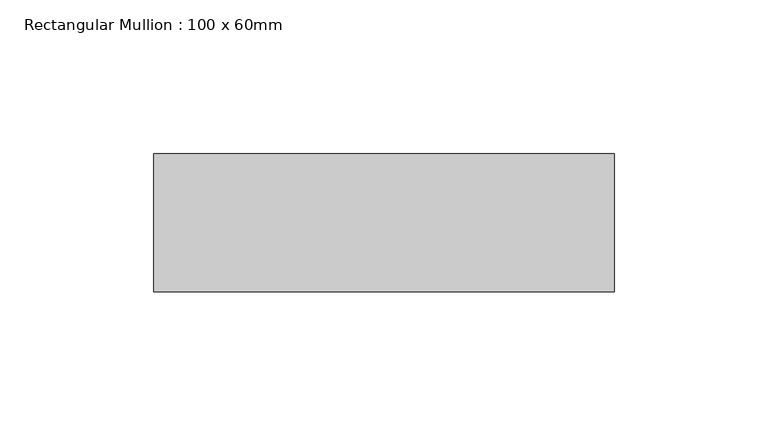
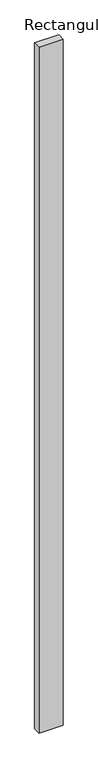
"""IFC4 building model written with IfcOpenShell, lengths in millimetres: member geometry, Rectangular Mullion : 100 x 60mm."""

import ifcopenshell
import ifcopenshell.guid

model = None  # the IFC model being written
_history = None  # IfcOwnerHistory: only IFC2X3 demands one
_inside = {}  # id of a spatial element -> (the spatial element, [elements in it])
_under = {}  # id of a project, library or spatial element -> (it, [spatial elements below it])
_declared = {}  # id of a project -> (the project, [libraries it declares])
_typed = {}  # id of a type object -> (the type object, [elements of that type])
_made_of = {}  # id of a material, layer set ... -> (it, [elements and type objects made of it])


def new_model(schema):
    """Start an empty IFC model of exactly this schema.

    Asked for "IFC4X3", IfcOpenShell would pick the latest addendum, in which some entities
    have other attributes; the version numbers below select the first issue.
    IFC2X3 requires an IfcOwnerHistory on every rooted entity: one is made here for all.
    """
    global model, _history
    if schema == "IFC4X3":
        model = ifcopenshell.file(schema_version=(4, 3, 0, 0))
    else:
        model = ifcopenshell.file(schema=schema)
    _inside.clear()
    _under.clear()
    _declared.clear()
    _typed.clear()
    _made_of.clear()
    _history = None
    if model.schema == "IFC2X3":
        org = make("IfcOrganization", Name="unknown")
        user = make(
            "IfcPersonAndOrganization",
            ThePerson=make("IfcPerson", FamilyName="unknown"),
            TheOrganization=org,
        )
        app = make(
            "IfcApplication",
            ApplicationDeveloper=org,
            Version="unknown",
            ApplicationFullName="unknown",
            ApplicationIdentifier="unknown",
        )
        _history = make(
            "IfcOwnerHistory",
            OwningUser=user,
            OwningApplication=app,
            ChangeAction="ADDED",
            CreationDate=0,
        )
    return model


def make(cls, **values):
    """One entity of the class cls with the attributes given. An attribute that is None is left unset."""
    return model.create_entity(
        cls, **{name: value for name, value in values.items() if value is not None}
    )


def rooted(cls, **values):
    """An entity with a GlobalId (a new one), such as an element, a storey or a relation."""
    return make(cls, GlobalId=ifcopenshell.guid.new(), OwnerHistory=_history, **values)


def si_unit(unit_type, name, prefix=None):
    """IfcSIUnit, for example si_unit("LENGTHUNIT", "METRE", prefix="MILLI")."""
    return make("IfcSIUnit", UnitType=unit_type, Prefix=prefix, Name=name)


def assignment(units):
    """IfcUnitAssignment: the units of a project."""
    return None if units is None else make("IfcUnitAssignment", Units=units)


def point(xyz):
    """IfcCartesianPoint."""
    return None if xyz is None else make("IfcCartesianPoint", Coordinates=xyz)


def direction(xyz):
    """IfcDirection."""
    return None if xyz is None else make("IfcDirection", DirectionRatios=xyz)


def frame(location, z_axis=None, x_axis=None):
    """IfcAxis2Placement3D, a coordinate frame: its origin and axes. An axis left out is left unset."""
    return make(
        "IfcAxis2Placement3D",
        Location=point(location),
        Axis=direction(z_axis),
        RefDirection=direction(x_axis),
    )


def origin():
    """The frame at (0, 0, 0) with its axes left unset."""
    return frame((0.0, 0.0, 0.0))


def place(relative_to, where):
    """IfcLocalPlacement: puts the frame where relative to a parent placement (None: the world)."""
    return make(
        "IfcLocalPlacement", PlacementRelTo=relative_to, RelativePlacement=where
    )


def context(
    kind, dimensions, precision=None, world=None, true_north=None, identifier=None
):
    """IfcGeometricRepresentationContext, for example the 3D "Model" context."""
    return make(
        "IfcGeometricRepresentationContext",
        ContextIdentifier=identifier,
        ContextType=kind,
        CoordinateSpaceDimension=dimensions,
        Precision=precision,
        WorldCoordinateSystem=world,
        TrueNorth=true_north,
    )


def project(units=None, contexts=None):
    """IfcProject with its units and contexts."""
    return rooted(
        "IfcProject",
        Name="project",
        RepresentationContexts=contexts,
        UnitsInContext=assignment(units),
    )


def spatial(cls, under=None, at=None, **own):
    """A site, building, storey or space (cls), placed at a placement, below another one or the project."""
    s = rooted(cls, ObjectPlacement=at, **own)
    if under is not None:
        _under.setdefault(under.id(), (under, []))[1].append(s)
    return s


def polyline(points):
    """IfcPolyline through the points."""
    return make("IfcPolyline", Points=[point(p) for p in points])


def outline(outer, holes=None, kind="AREA"):
    """IfcArbitraryClosedProfileDef: a profile drawn as a closed curve; with holes, ...WithVoids."""
    if holes is None:
        return make("IfcArbitraryClosedProfileDef", ProfileType=kind, OuterCurve=outer)
    return make(
        "IfcArbitraryProfileDefWithVoids",
        ProfileType=kind,
        OuterCurve=outer,
        InnerCurves=holes,
    )


def extrude(swept, where, along, depth):
    """IfcExtrudedAreaSolid: the profile swept, set in the frame where, extruded along a direction by depth."""
    return make(
        "IfcExtrudedAreaSolid",
        SweptArea=swept,
        Position=where,
        ExtrudedDirection=direction(along),
        Depth=depth,
    )


def shape(context_of_items, identifier, shape_type, items):
    """IfcShapeRepresentation: the items that make up one representation, for example the "Body"."""
    return make(
        "IfcShapeRepresentation",
        ContextOfItems=context_of_items,
        RepresentationIdentifier=identifier,
        RepresentationType=shape_type,
        Items=items,
    )


def source(mapping_origin, context_of_items, identifier, shape_type, items):
    """IfcRepresentationMap: a shape defined once, which mapped items show again and again."""
    return make(
        "IfcRepresentationMap",
        MappingOrigin=mapping_origin,
        MappedRepresentation=shape(context_of_items, identifier, shape_type, items),
    )


def transform(
    local_origin,
    x_axis=None,
    y_axis=None,
    z_axis=None,
    scale=None,
    scale2=None,
    scale3=None,
    uniform=True,
):
    """IfcCartesianTransformationOperator3D, or its non-uniform kind. x_axis, y_axis, z_axis: its Axis1, 2, 3."""
    if uniform:
        return make(
            "IfcCartesianTransformationOperator3D",
            Axis1=direction(x_axis),
            Axis2=direction(y_axis),
            LocalOrigin=point(local_origin),
            Scale=scale,
            Axis3=direction(z_axis),
        )
    return make(
        "IfcCartesianTransformationOperator3DnonUniform",
        Axis1=direction(x_axis),
        Axis2=direction(y_axis),
        LocalOrigin=point(local_origin),
        Scale=scale,
        Axis3=direction(z_axis),
        Scale2=scale2,
        Scale3=scale3,
    )


def mapped(mapping_source, mapping_target):
    """IfcMappedItem: shows the shape of a source again, moved by a transform."""
    return make(
        "IfcMappedItem", MappingSource=mapping_source, MappingTarget=mapping_target
    )


def made_of(thing, what):
    """Note that an element or type object is made of a material, layer set ...; save() writes the relation."""
    if what is not None:
        _made_of.setdefault(what.id(), (what, []))[1].append(thing)
    return thing


def element(
    cls,
    number,
    at=None,
    inside=None,
    cuts=None,
    type_object=None,
    material=None,
    context=None,
    identifier="Body",
    shape_type=None,
    held_by="IfcProductDefinitionShape",
    body=None,
    shapes=None,
    **own,
):
    """One element of the class cls, such as IfcWall. Its Tag is "e" and its number.

    at: its placement. inside: the storey or other place that contains it. cuts: it is an
    opening in that element (IfcRelVoidsElement). A single representation is given by context,
    identifier, shape_type and body (its items); several are given by shapes. held_by: the class
    of the entity that holds the representations. save() writes the other relations.
    """
    e = rooted(cls, Tag="e%d" % number, ObjectPlacement=at, **own)
    if body is not None:
        shapes = [shape(context, identifier, shape_type, body)]
    if shapes is not None:
        e.Representation = make(held_by, Representations=shapes)
    if inside is not None:
        _inside.setdefault(inside.id(), (inside, []))[1].append(e)
    if cuts is not None:
        rooted(
            "IfcRelVoidsElement", RelatingBuildingElement=cuts, RelatedOpeningElement=e
        )
    if type_object is not None:
        _typed.setdefault(type_object.id(), (type_object, []))[1].append(e)
    return made_of(e, material)


def aggregate(whole, parts):
    """IfcRelAggregates: a whole, such as a stair, and the parts it consists of."""
    return rooted("IfcRelAggregates", RelatingObject=whole, RelatedObjects=parts)


def save(model, path):
    """Write the relations noted so far, then the file.

    IfcRelAggregates (storeys below a building ...), IfcRelContainedInSpatialStructure (elements
    in a storey), IfcRelDefinesByType, IfcRelAssociatesMaterial and IfcRelDeclares: one each for
    every whole, place, type object, material and project.
    """
    for whole, parts in _under.values():
        aggregate(whole, parts)
    for where, things in _inside.values():
        rooted(
            "IfcRelContainedInSpatialStructure",
            RelatedElements=things,
            RelatingStructure=where,
        )
    for kind, things in _typed.values():
        rooted("IfcRelDefinesByType", RelatedObjects=things, RelatingType=kind)
    for what, things in _made_of.values():
        rooted("IfcRelAssociatesMaterial", RelatedObjects=things, RelatingMaterial=what)
    for by, libraries in _declared.values():
        rooted("IfcRelDeclares", RelatingContext=by, RelatedDefinitions=libraries)
    model.write(path)


def rectangular_mullion_100_x_60mm_e9b13425(model_context):
    return source(origin(), model_context, "Body", "SweptSolid", [
        extrude(outline(polyline([(-150.0, -30.0), (-150.0, 15.0), (0.0, 15.0), (0.0, -30.0), (-150.0, -30.0)])), frame((0.0, 0.0, -4478.5270378), z_axis=(0.0, 0.0, 1.0), x_axis=(1.0, 0.0, 0.0)), (0.0, 0.0, 1.0), 4478.5270378),
    ])


if __name__ == "__main__":
    model = new_model("IFC4")
    model_context = context("Model", 3, world=origin())
    ifc_project = project(units=[si_unit("LENGTHUNIT", "METRE", prefix="MILLI")], contexts=[model_context])
    site = spatial("IfcSite", under=ifc_project)
    building = spatial("IfcBuilding", under=site)
    placement = place(None, origin())
    rectangular_mullion_100_x_60mm_shape = rectangular_mullion_100_x_60mm_e9b13425(model_context)
    element("IfcMember", 1, ObjectType="Rectangular Mullion : 100 x 60mm", at=placement, inside=building, context=model_context, shape_type="MappedRepresentation", body=[
        mapped(rectangular_mullion_100_x_60mm_shape, transform((0.0, 0.0, 0.0), x_axis=(1.0, 0.0, 0.0), y_axis=(0.0, 1.0, 0.0), z_axis=(0.0, 0.0, 1.0))),
    ])
    save(model, "model.ifc")
